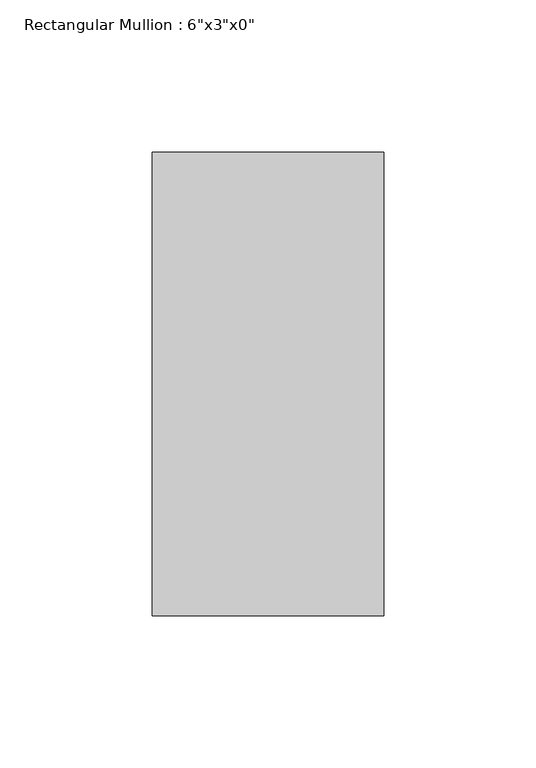
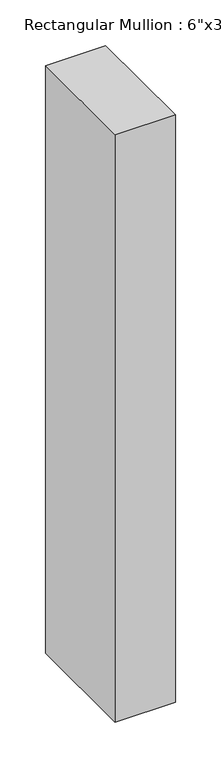
"""IFC4 building model written with IfcOpenShell, lengths in millimetres: member geometry."""

from ifc_helpers import new_model, si_unit, frame, origin, place, context, project, spatial, polyline, outline, extrude, source, transform, mapped, element, save


def member_b4d80617(model_context):
    return source(origin(), model_context, "Body", "SweptSolid", [
        extrude(outline(polyline([(38.1, 76.2), (38.1, -76.2), (-38.1, -76.2), (-38.1, 76.2), (38.1, 76.2)])), frame((0.0, 0.0, -785.2833333), z_axis=(0.0, 0.0, 1.0), x_axis=(1.0, 0.0, 0.0)), (0.0, 0.0, 1.0), 785.2833333),
    ])


if __name__ == "__main__":
    model = new_model("IFC4")
    model_context = context("Model", 3, world=origin())
    ifc_project = project(units=[si_unit("LENGTHUNIT", "METRE", prefix="MILLI")], contexts=[model_context])
    site = spatial("IfcSite", under=ifc_project)
    building = spatial("IfcBuilding", under=site)
    placement = place(None, origin())
    member_shape = member_b4d80617(model_context)
    element("IfcMember", 1, ObjectType="Rectangular Mullion : 6\"x3\"x0\"", at=placement, inside=building, context=model_context, shape_type="MappedRepresentation", body=[
        mapped(member_shape, transform((0.0, 0.0, 0.0), x_axis=(1.0, 0.0, 0.0), y_axis=(0.0, 1.0, 0.0), z_axis=(0.0, 0.0, 1.0))),
    ])
    save(model, "model.ifc")
